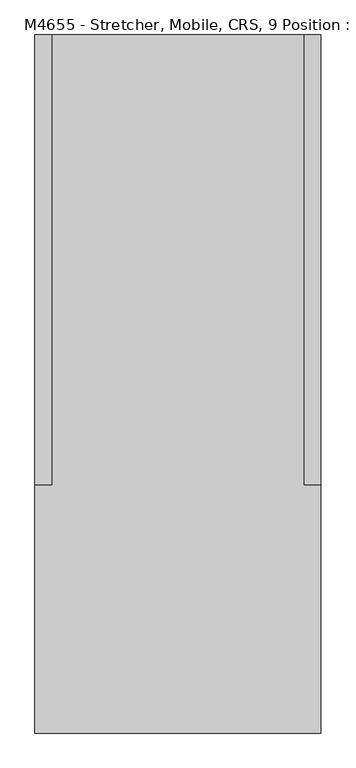
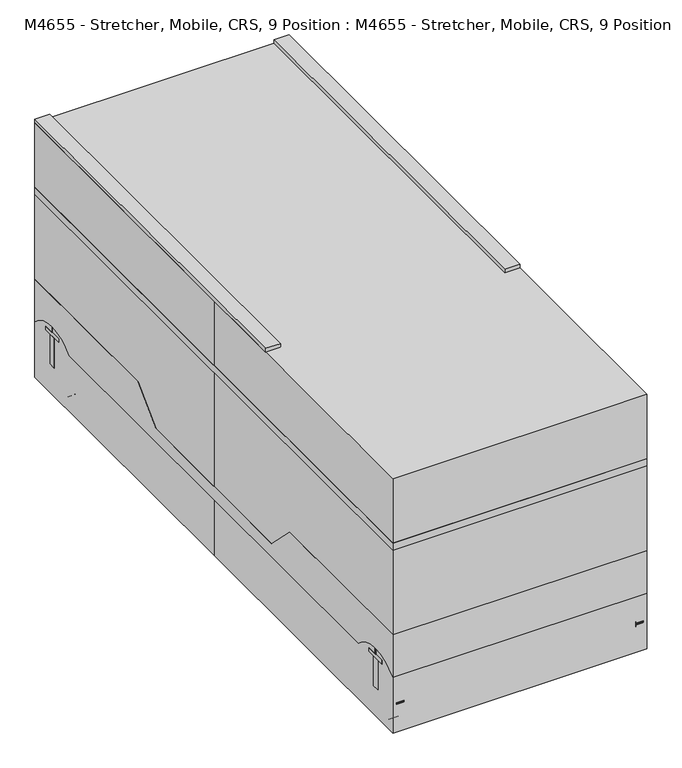
"""IFC4 building model written with IfcOpenShell, lengths in millimetres: proxy geometry, M4655 - Stretcher, Mobile, CRS, 9 Position : M4655 - Stretcher, Mobile, CRS, 9 Position."""

from ifc_helpers import new_model, si_unit, point, frame, frame_2d, origin, origin_with_axes, place, context, project, spatial, polyline, circle_curve, trimmed, segment, composite_curve, outline, extrude, source, transform, mapped, element, save


def m4655_stretcher_mobile_crs_9_position_m4655_stretcher_mobile_4fec85e9(model_context):
    return source(origin(), model_context, "Body", "SweptSolid", [
        extrude(outline(polyline([(-381.0, -304.8), (-431.8, -304.8), (-431.8, 1054.1), (-381.0, 1054.1), (-381.0, -304.8)])), frame((0.0, 0.0, 914.4), z_axis=(0.0, 0.0, 1.0), x_axis=(1.0, 0.0, 0.0)), (0.0, 0.0, 1.0), 12.7),
        extrude(outline(polyline([(431.8, -304.8), (381.0, -304.8), (381.0, 1054.1), (431.8, 1054.1), (431.8, -304.8)])), frame((0.0, 0.0, 914.4), z_axis=(0.0, 0.0, 1.0), x_axis=(1.0, 0.0, 0.0)), (0.0, 0.0, 1.0), 12.7),
        extrude(outline(composite_curve([segment(trimmed(circle_curve(frame_2d((406.4, 952.5)), 19.05), [point((387.35, 952.5))], [point((425.45, 952.5))], False, "CARTESIAN"), True, "CONTINUOUS"), segment(trimmed(circle_curve(frame_2d((406.4, 952.5)), 19.05), [point((425.45, 952.5))], [point((387.35, 952.5))], False, "CARTESIAN"), True, "CONTINUOUS")], self_intersect=False)), frame((0.0, 0.0, 682.573777), z_axis=(0.0, 0.0, 1.0), x_axis=(1.0, 0.0, 0.0)), (0.0, 0.0, 1.0), 231.826223),
        extrude(outline(composite_curve([segment(trimmed(circle_curve(frame_2d((406.4, 723.9)), 19.05), [point((387.35, 723.9))], [point((425.45, 723.9))], False, "CARTESIAN"), True, "CONTINUOUS"), segment(trimmed(circle_curve(frame_2d((406.4, 723.9)), 19.05), [point((425.45, 723.9))], [point((387.35, 723.9))], False, "CARTESIAN"), True, "CONTINUOUS")], self_intersect=False)), frame((0.0, 0.0, 682.573777), z_axis=(0.0, 0.0, 1.0), x_axis=(1.0, 0.0, 0.0)), (0.0, 0.0, 1.0), 231.826223),
        extrude(outline(composite_curve([segment(trimmed(circle_curve(frame_2d((406.4, 495.3)), 19.05), [point((387.35, 495.3))], [point((425.45, 495.3))], False, "CARTESIAN"), True, "CONTINUOUS"), segment(trimmed(circle_curve(frame_2d((406.4, 495.3)), 19.05), [point((425.45, 495.3))], [point((387.35, 495.3))], False, "CARTESIAN"), True, "CONTINUOUS")], self_intersect=False)), frame((0.0, 0.0, 682.573777), z_axis=(0.0, 0.0, 1.0), x_axis=(1.0, 0.0, 0.0)), (0.0, 0.0, 1.0), 231.826223),
        extrude(outline(composite_curve([segment(trimmed(circle_curve(frame_2d((406.4, 266.7)), 19.05), [point((387.35, 266.7))], [point((425.45, 266.7))], False, "CARTESIAN"), True, "CONTINUOUS"), segment(trimmed(circle_curve(frame_2d((406.4, 266.7)), 19.05), [point((425.45, 266.7))], [point((387.35, 266.7))], False, "CARTESIAN"), True, "CONTINUOUS")], self_intersect=False)), frame((0.0, 0.0, 682.573777), z_axis=(0.0, 0.0, 1.0), x_axis=(1.0, 0.0, 0.0)), (0.0, 0.0, 1.0), 231.826223),
        extrude(outline(composite_curve([segment(trimmed(circle_curve(frame_2d((406.4, 38.1)), 19.05), [point((387.35, 38.1))], [point((425.45, 38.1))], False, "CARTESIAN"), True, "CONTINUOUS"), segment(trimmed(circle_curve(frame_2d((406.4, 38.1)), 19.05), [point((425.45, 38.1))], [point((387.35, 38.1))], False, "CARTESIAN"), True, "CONTINUOUS")], self_intersect=False)), frame((0.0, 0.0, 682.573777), z_axis=(0.0, 0.0, 1.0), x_axis=(1.0, 0.0, 0.0)), (0.0, 0.0, 1.0), 231.826223),
        extrude(outline(composite_curve([segment(trimmed(circle_curve(frame_2d((406.4, -190.5)), 19.05), [point((387.35, -190.5))], [point((425.45, -190.5))], False, "CARTESIAN"), True, "CONTINUOUS"), segment(trimmed(circle_curve(frame_2d((406.4, -190.5)), 19.05), [point((425.45, -190.5))], [point((387.35, -190.5))], False, "CARTESIAN"), True, "CONTINUOUS")], self_intersect=False)), frame((0.0, 0.0, 682.573777), z_axis=(0.0, 0.0, 1.0), x_axis=(1.0, 0.0, 0.0)), (0.0, 0.0, 1.0), 231.826223),
        extrude(outline(composite_curve([segment(trimmed(circle_curve(frame_2d((-406.4, 952.5)), 19.05), [point((-425.45, 952.5))], [point((-387.35, 952.5))], False, "CARTESIAN"), True, "CONTINUOUS"), segment(trimmed(circle_curve(frame_2d((-406.4, 952.5)), 19.05), [point((-387.35, 952.5))], [point((-425.45, 952.5))], False, "CARTESIAN"), True, "CONTINUOUS")], self_intersect=False)), frame((0.0, 0.0, 682.573777), z_axis=(0.0, 0.0, 1.0), x_axis=(1.0, 0.0, 0.0)), (0.0, 0.0, 1.0), 231.826223),
        extrude(outline(composite_curve([segment(trimmed(circle_curve(frame_2d((-406.4, 723.9)), 19.05), [point((-425.45, 723.9))], [point((-387.35, 723.9))], False, "CARTESIAN"), True, "CONTINUOUS"), segment(trimmed(circle_curve(frame_2d((-406.4, 723.9)), 19.05), [point((-387.35, 723.9))], [point((-425.45, 723.9))], False, "CARTESIAN"), True, "CONTINUOUS")], self_intersect=False)), frame((0.0, 0.0, 682.573777), z_axis=(0.0, 0.0, 1.0), x_axis=(1.0, 0.0, 0.0)), (0.0, 0.0, 1.0), 231.826223),
        extrude(outline(composite_curve([segment(trimmed(circle_curve(frame_2d((-406.4, 495.3)), 19.05), [point((-425.45, 495.3))], [point((-387.35, 495.3))], False, "CARTESIAN"), True, "CONTINUOUS"), segment(trimmed(circle_curve(frame_2d((-406.4, 495.3)), 19.05), [point((-387.35, 495.3))], [point((-425.45, 495.3))], False, "CARTESIAN"), True, "CONTINUOUS")], self_intersect=False)), frame((0.0, 0.0, 682.573777), z_axis=(0.0, 0.0, 1.0), x_axis=(1.0, 0.0, 0.0)), (0.0, 0.0, 1.0), 231.826223),
        extrude(outline(composite_curve([segment(trimmed(circle_curve(frame_2d((-406.4, 266.7)), 19.05), [point((-425.45, 266.7))], [point((-387.35, 266.7))], False, "CARTESIAN"), True, "CONTINUOUS"), segment(trimmed(circle_curve(frame_2d((-406.4, 266.7)), 19.05), [point((-387.35, 266.7))], [point((-425.45, 266.7))], False, "CARTESIAN"), True, "CONTINUOUS")], self_intersect=False)), frame((0.0, 0.0, 682.573777), z_axis=(0.0, 0.0, 1.0), x_axis=(1.0, 0.0, 0.0)), (0.0, 0.0, 1.0), 231.826223),
        extrude(outline(composite_curve([segment(trimmed(circle_curve(frame_2d((-406.4, 38.1)), 19.05), [point((-425.45, 38.1))], [point((-387.35, 38.1))], False, "CARTESIAN"), True, "CONTINUOUS"), segment(trimmed(circle_curve(frame_2d((-406.4, 38.1)), 19.05), [point((-387.35, 38.1))], [point((-425.45, 38.1))], False, "CARTESIAN"), True, "CONTINUOUS")], self_intersect=False)), frame((0.0, 0.0, 682.573777), z_axis=(0.0, 0.0, 1.0), x_axis=(1.0, 0.0, 0.0)), (0.0, 0.0, 1.0), 231.826223),
        extrude(outline(composite_curve([segment(trimmed(circle_curve(frame_2d((-406.4, -190.5)), 19.05), [point((-425.45, -190.5))], [point((-387.35, -190.5))], False, "CARTESIAN"), True, "CONTINUOUS"), segment(trimmed(circle_curve(frame_2d((-406.4, -190.5)), 19.05), [point((-387.35, -190.5))], [point((-425.45, -190.5))], False, "CARTESIAN"), True, "CONTINUOUS")], self_intersect=False)), frame((0.0, 0.0, 682.573777), z_axis=(0.0, 0.0, 1.0), x_axis=(1.0, 0.0, 0.0)), (0.0, 0.0, 1.0), 231.826223),
        extrude(outline(composite_curve([segment(trimmed(circle_curve(frame_2d((0.0, 647.7)), 63.5), [point((-63.5, 647.7))], [point((63.5, 647.7))], False, "CARTESIAN"), True, "CONTINUOUS"), segment(trimmed(circle_curve(frame_2d((0.0, 647.7)), 63.5), [point((63.5, 647.7))], [point((-63.5, 647.7))], False, "CARTESIAN"), True, "CONTINUOUS")], self_intersect=False)), frame((0.0, 0.0, 428.573777), z_axis=(0.0, 0.0, 1.0), x_axis=(1.0, 0.0, 0.0)), (0.0, 0.0, 1.0), 228.6),
        extrude(outline(composite_curve([segment(trimmed(circle_curve(frame_2d((0.0, 647.7)), 76.2), [point((-76.2, 647.7))], [point((76.2, 647.7))], False, "CARTESIAN"), True, "CONTINUOUS"), segment(trimmed(circle_curve(frame_2d((0.0, 647.7)), 76.2), [point((76.2, 647.7))], [point((-76.2, 647.7))], False, "CARTESIAN"), True, "CONTINUOUS")], self_intersect=False)), frame((0.0, 0.0, 352.373777), z_axis=(0.0, 0.0, 1.0), x_axis=(1.0, 0.0, 0.0)), (0.0, 0.0, 1.0), 76.2),
        extrude(outline(composite_curve([segment(trimmed(circle_curve(frame_2d((0.0, -647.7)), 63.5), [point((-63.5, -647.7))], [point((63.5, -647.7))], False, "CARTESIAN"), True, "CONTINUOUS"), segment(trimmed(circle_curve(frame_2d((0.0, -647.7)), 63.5), [point((63.5, -647.7))], [point((-63.5, -647.7))], False, "CARTESIAN"), True, "CONTINUOUS")], self_intersect=False)), frame((0.0, 0.0, 428.573777), z_axis=(0.0, 0.0, 1.0), x_axis=(1.0, 0.0, 0.0)), (0.0, 0.0, 1.0), 228.6),
        extrude(outline(composite_curve([segment(trimmed(circle_curve(frame_2d((0.0, -647.7)), 76.2), [point((-76.2, -647.7))], [point((76.2, -647.7))], False, "CARTESIAN"), True, "CONTINUOUS"), segment(trimmed(circle_curve(frame_2d((0.0, -647.7)), 76.2), [point((76.2, -647.7))], [point((-76.2, -647.7))], False, "CARTESIAN"), True, "CONTINUOUS")], self_intersect=False)), frame((0.0, 0.0, 352.373777), z_axis=(0.0, 0.0, 1.0), x_axis=(1.0, 0.0, 0.0)), (0.0, 0.0, 1.0), 76.2),
        extrude(outline(composite_curve([segment(polyline([(-330.2, 1028.7), (330.2, 1028.7)]), True, "CONTINUOUS"), segment(trimmed(circle_curve(frame_2d((330.2, 977.9)), 50.8), [point((330.2, 1028.7))], [point((381.0, 977.9))], False, "CARTESIAN"), True, "CONTINUOUS"), segment(polyline([(381.0, 977.9), (381.0, -977.9)]), True, "CONTINUOUS"), segment(trimmed(circle_curve(frame_2d((330.2, -977.9)), 50.8), [point((381.0, -977.9))], [point((330.2, -1028.7))], False, "CARTESIAN"), True, "CONTINUOUS"), segment(polyline([(330.2, -1028.7), (-330.2, -1028.7)]), True, "CONTINUOUS"), segment(trimmed(circle_curve(frame_2d((-330.2, -977.9)), 50.8), [point((-330.2, -1028.7))], [point((-381.0, -977.9))], False, "CARTESIAN"), True, "CONTINUOUS"), segment(polyline([(-381.0, -977.9), (-381.0, 977.9)]), True, "CONTINUOUS"), segment(trimmed(circle_curve(frame_2d((-330.2, 977.9)), 50.8), [point((-381.0, 977.9))], [point((-330.2, 1028.7))], False, "CARTESIAN"), True, "CONTINUOUS")], self_intersect=False)), frame((0.0, 0.0, 682.573777), z_axis=(0.0, 0.0, 1.0), x_axis=(1.0, 0.0, 0.0)), (0.0, 0.0, 1.0), 50.8),
        extrude(outline(polyline([(431.8, 1054.1), (431.8, -1054.1), (-431.8, -1054.1), (-431.8, 1054.1), (431.8, 1054.1)])), frame((0.0, 0.0, 657.173777), z_axis=(0.0, 0.0, 1.0), x_axis=(1.0, 0.0, 0.0)), (0.0, 0.0, 1.0), 25.4),
        extrude(outline(composite_curve([segment(polyline([(-1054.1, 352.373777), (-444.5, 352.373777), (-339.776223, 247.65), (339.776223, 247.65), (444.5, 352.373777), (1054.1, 352.373777), (1054.1, 199.973777)]), True, "CONTINUOUS"), segment(trimmed(circle_curve(frame_2d((952.5, 101.6)), 141.4212148), [point((1054.1, 199.973777))], [point((850.9, 199.973777))], True, "CARTESIAN"), True, "CONTINUOUS"), segment(polyline([(850.9, 199.973777), (-850.9, 199.973777)]), True, "CONTINUOUS"), segment(trimmed(circle_curve(frame_2d((-952.5, 101.6)), 141.4212148), [point((-850.9, 199.973777))], [point((-1054.1, 199.973777))], True, "CARTESIAN"), True, "CONTINUOUS"), segment(polyline([(-1054.1, 199.973777), (-1054.1, 352.373777)]), True, "CONTINUOUS")], self_intersect=False)), frame((-431.8, 0.0, 0.0), z_axis=(1.0, 0.0, 0.0), x_axis=(0.0, 1.0, 0.0)), (0.0, 0.0, 1.0), 863.6),
        extrude(outline(composite_curve([segment(trimmed(circle_curve(frame_2d((-406.4, 952.5)), 25.4), [point((-381.0, 952.5))], [point((-431.8, 952.5))], False, "CARTESIAN"), True, "CONTINUOUS"), segment(trimmed(circle_curve(frame_2d((-406.4, 952.5)), 25.4), [point((-431.8, 952.5))], [point((-381.0, 952.5))], False, "CARTESIAN"), True, "CONTINUOUS")], self_intersect=False)), frame((0.0, 0.0, 222.25), z_axis=(0.0, 0.0, 1.0), x_axis=(1.0, 0.0, 0.0)), (0.0, 0.0, 1.0), 25.4),
        extrude(outline(polyline([(-431.8, 990.6), (-381.0, 990.6), (-381.0, 914.4), (-431.8, 914.4), (-431.8, 990.6)])), frame((0.0, 0.0, 209.55), z_axis=(0.0, 0.0, 1.0), x_axis=(1.0, 0.0, 0.0)), (0.0, 0.0, 1.0), 12.7),
        extrude(outline(polyline([(-393.7, 965.2), (-381.0, 965.2), (-381.0, 939.8), (-393.7, 939.8), (-393.7, 965.2)])), frame((0.0, 0.0, 101.6), z_axis=(0.0, 0.0, 1.0), x_axis=(1.0, 0.0, 0.0)), (0.0, 0.0, 1.0), 107.95),
        extrude(outline(polyline([(-431.8, 965.2), (-419.1, 965.2), (-419.1, 939.8), (-431.8, 939.8), (-431.8, 965.2)])), frame((0.0, 0.0, 101.6), z_axis=(0.0, 0.0, 1.0), x_axis=(1.0, 0.0, 0.0)), (0.0, 0.0, 1.0), 107.95),
        extrude(outline(composite_curve([segment(trimmed(circle_curve(frame_2d((952.5, 101.6)), 101.6), [point((1054.1, 101.6))], [point((850.9, 101.6))], False, "CARTESIAN"), True, "CONTINUOUS"), segment(trimmed(circle_curve(frame_2d((952.5, 101.6)), 101.6), [point((850.9, 101.6))], [point((1054.1, 101.6))], False, "CARTESIAN"), True, "CONTINUOUS")], self_intersect=False)), frame((-419.1, 0.0, 0.0), z_axis=(1.0, 0.0, 0.0), x_axis=(0.0, 1.0, 0.0)), (0.0, 0.0, 1.0), 25.4),
        extrude(outline(composite_curve([segment(trimmed(circle_curve(frame_2d((406.4, 952.5)), 25.4), [point((381.0, 952.5))], [point((431.8, 952.5))], False, "CARTESIAN"), True, "CONTINUOUS"), segment(trimmed(circle_curve(frame_2d((406.4, 952.5)), 25.4), [point((431.8, 952.5))], [point((381.0, 952.5))], False, "CARTESIAN"), True, "CONTINUOUS")], self_intersect=False)), frame((0.0, 0.0, 222.25), z_axis=(0.0, 0.0, 1.0), x_axis=(1.0, 0.0, 0.0)), (0.0, 0.0, 1.0), 25.4),
        extrude(outline(polyline([(381.0, 990.6), (431.8, 990.6), (431.8, 914.4), (381.0, 914.4), (381.0, 990.6)])), frame((0.0, 0.0, 209.55), z_axis=(0.0, 0.0, 1.0), x_axis=(1.0, 0.0, 0.0)), (0.0, 0.0, 1.0), 12.7),
        extrude(outline(polyline([(419.1, 965.2), (431.8, 965.2), (431.8, 939.8), (419.1, 939.8), (419.1, 965.2)])), frame((0.0, 0.0, 101.6), z_axis=(0.0, 0.0, 1.0), x_axis=(1.0, 0.0, 0.0)), (0.0, 0.0, 1.0), 107.95),
        extrude(outline(polyline([(381.0, 965.2), (393.7, 965.2), (393.7, 939.8), (381.0, 939.8), (381.0, 965.2)])), frame((0.0, 0.0, 101.6), z_axis=(0.0, 0.0, 1.0), x_axis=(1.0, 0.0, 0.0)), (0.0, 0.0, 1.0), 107.95),
        extrude(outline(composite_curve([segment(trimmed(circle_curve(frame_2d((952.5, 101.6)), 101.6), [point((1054.1, 101.6))], [point((850.9, 101.6))], False, "CARTESIAN"), True, "CONTINUOUS"), segment(trimmed(circle_curve(frame_2d((952.5, 101.6)), 101.6), [point((850.9, 101.6))], [point((1054.1, 101.6))], False, "CARTESIAN"), True, "CONTINUOUS")], self_intersect=False)), frame((393.7, 0.0, 0.0), z_axis=(1.0, 0.0, 0.0), x_axis=(0.0, 1.0, 0.0)), (0.0, 0.0, 1.0), 25.4),
        extrude(outline(composite_curve([segment(trimmed(circle_curve(frame_2d((-406.4, -952.5)), 25.4), [point((-381.0, -952.5))], [point((-431.8, -952.5))], False, "CARTESIAN"), True, "CONTINUOUS"), segment(trimmed(circle_curve(frame_2d((-406.4, -952.5)), 25.4), [point((-431.8, -952.5))], [point((-381.0, -952.5))], False, "CARTESIAN"), True, "CONTINUOUS")], self_intersect=False)), frame((0.0, 0.0, 222.25), z_axis=(0.0, 0.0, 1.0), x_axis=(1.0, 0.0, 0.0)), (0.0, 0.0, 1.0), 25.4),
        extrude(outline(polyline([(-381.0, -990.6), (-431.8, -990.6), (-431.8, -914.4), (-381.0, -914.4), (-381.0, -990.6)])), frame((0.0, 0.0, 209.55), z_axis=(0.0, 0.0, 1.0), x_axis=(1.0, 0.0, 0.0)), (0.0, 0.0, 1.0), 12.7),
        extrude(outline(polyline([(-419.1, -965.2), (-431.8, -965.2), (-431.8, -939.8), (-419.1, -939.8), (-419.1, -965.2)])), frame((0.0, 0.0, 101.6), z_axis=(0.0, 0.0, 1.0), x_axis=(1.0, 0.0, 0.0)), (0.0, 0.0, 1.0), 107.95),
        extrude(outline(polyline([(-381.0, -965.2), (-393.7, -965.2), (-393.7, -939.8), (-381.0, -939.8), (-381.0, -965.2)])), frame((0.0, 0.0, 101.6), z_axis=(0.0, 0.0, 1.0), x_axis=(1.0, 0.0, 0.0)), (0.0, 0.0, 1.0), 107.95),
        extrude(outline(composite_curve([segment(trimmed(circle_curve(frame_2d((-952.5, 101.6)), 101.6), [point((-1054.1, 101.6))], [point((-850.9, 101.6))], False, "CARTESIAN"), True, "CONTINUOUS"), segment(trimmed(circle_curve(frame_2d((-952.5, 101.6)), 101.6), [point((-850.9, 101.6))], [point((-1054.1, 101.6))], False, "CARTESIAN"), True, "CONTINUOUS")], self_intersect=False)), frame((-419.1, 0.0, 0.0), z_axis=(1.0, 0.0, 0.0), x_axis=(0.0, 1.0, 0.0)), (0.0, 0.0, 1.0), 25.4),
        extrude(outline(composite_curve([segment(trimmed(circle_curve(frame_2d((406.4, -952.5)), 25.4), [point((381.0, -952.5))], [point((431.8, -952.5))], False, "CARTESIAN"), True, "CONTINUOUS"), segment(trimmed(circle_curve(frame_2d((406.4, -952.5)), 25.4), [point((431.8, -952.5))], [point((381.0, -952.5))], False, "CARTESIAN"), True, "CONTINUOUS")], self_intersect=False)), frame((0.0, 0.0, 222.25), z_axis=(0.0, 0.0, 1.0), x_axis=(1.0, 0.0, 0.0)), (0.0, 0.0, 1.0), 25.4),
        extrude(outline(polyline([(431.8, -990.6), (381.0, -990.6), (381.0, -914.4), (431.8, -914.4), (431.8, -990.6)])), frame((0.0, 0.0, 209.55), z_axis=(0.0, 0.0, 1.0), x_axis=(1.0, 0.0, 0.0)), (0.0, 0.0, 1.0), 12.7),
        extrude(outline(polyline([(393.7, -965.2), (381.0, -965.2), (381.0, -939.8), (393.7, -939.8), (393.7, -965.2)])), frame((0.0, 0.0, 101.6), z_axis=(0.0, 0.0, 1.0), x_axis=(1.0, 0.0, 0.0)), (0.0, 0.0, 1.0), 107.95),
        extrude(outline(polyline([(431.8, -965.2), (419.1, -965.2), (419.1, -939.8), (431.8, -939.8), (431.8, -965.2)])), frame((0.0, 0.0, 101.6), z_axis=(0.0, 0.0, 1.0), x_axis=(1.0, 0.0, 0.0)), (0.0, 0.0, 1.0), 107.95),
        extrude(outline(composite_curve([segment(trimmed(circle_curve(frame_2d((-952.5, 101.6)), 101.6), [point((-1054.1, 101.6))], [point((-850.9, 101.6))], False, "CARTESIAN"), True, "CONTINUOUS"), segment(trimmed(circle_curve(frame_2d((-952.5, 101.6)), 101.6), [point((-850.9, 101.6))], [point((-1054.1, 101.6))], False, "CARTESIAN"), True, "CONTINUOUS")], self_intersect=False)), frame((393.7, 0.0, 0.0), z_axis=(1.0, 0.0, 0.0), x_axis=(0.0, 1.0, 0.0)), (0.0, 0.0, 1.0), 25.4),
        extrude(outline(polyline([(-431.8, 1054.1), (431.8, 1054.1), (431.8, -1054.1), (-431.8, -1054.1), (-431.8, 0.0), (-431.8, 1054.1)])), origin_with_axes(), (0.0, 0.0, 1.0), 914.4),
    ])


if __name__ == "__main__":
    model = new_model("IFC4")
    model_context = context("Model", 3, world=origin())
    ifc_project = project(units=[si_unit("LENGTHUNIT", "METRE", prefix="MILLI")], contexts=[model_context])
    site = spatial("IfcSite", under=ifc_project)
    building = spatial("IfcBuilding", under=site)
    placement = place(None, origin())
    m4655_stretcher_mobile_crs_9_position_m4655_stretcher_mobile_shape = m4655_stretcher_mobile_crs_9_position_m4655_stretcher_mobile_4fec85e9(model_context)
    element("IfcBuildingElementProxy", 1, Name="M4655 - Stretcher, Mobile, CRS, 9 Position : M4655 - Stretcher, Mobile, CRS, 9 Position", ObjectType="M4655 - Stretcher, Mobile, CRS, 9 Position : M4655 - Stretcher, Mobile, CRS, 9 Position", at=placement, inside=building, context=model_context, shape_type="MappedRepresentation", body=[
        mapped(m4655_stretcher_mobile_crs_9_position_m4655_stretcher_mobile_shape, transform((0.0, 0.0, 0.0), x_axis=(1.0, 0.0, 0.0), y_axis=(0.0, 1.0, 0.0), z_axis=(0.0, 0.0, 1.0))),
    ])
    save(model, "model.ifc")
